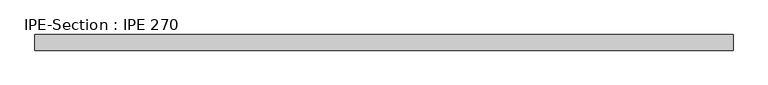
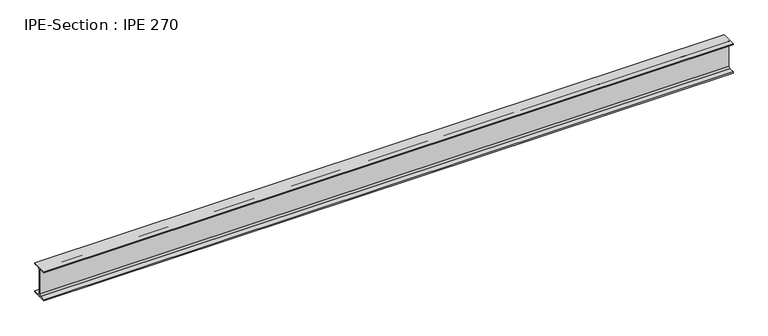
"""IFC4 building model written with IfcOpenShell, lengths in millimetres: beam geometry, IPE-Section : IPE 270."""

import ifcopenshell
import ifcopenshell.guid

model = None  # the IFC model being written
_history = None  # IfcOwnerHistory: only IFC2X3 demands one
_inside = {}  # id of a spatial element -> (the spatial element, [elements in it])
_under = {}  # id of a project, library or spatial element -> (it, [spatial elements below it])
_declared = {}  # id of a project -> (the project, [libraries it declares])
_typed = {}  # id of a type object -> (the type object, [elements of that type])
_made_of = {}  # id of a material, layer set ... -> (it, [elements and type objects made of it])


def new_model(schema):
    """Start an empty IFC model of exactly this schema.

    Asked for "IFC4X3", IfcOpenShell would pick the latest addendum, in which some entities
    have other attributes; the version numbers below select the first issue.
    IFC2X3 requires an IfcOwnerHistory on every rooted entity: one is made here for all.
    """
    global model, _history
    if schema == "IFC4X3":
        model = ifcopenshell.file(schema_version=(4, 3, 0, 0))
    else:
        model = ifcopenshell.file(schema=schema)
    _inside.clear()
    _under.clear()
    _declared.clear()
    _typed.clear()
    _made_of.clear()
    _history = None
    if model.schema == "IFC2X3":
        org = make("IfcOrganization", Name="unknown")
        user = make(
            "IfcPersonAndOrganization",
            ThePerson=make("IfcPerson", FamilyName="unknown"),
            TheOrganization=org,
        )
        app = make(
            "IfcApplication",
            ApplicationDeveloper=org,
            Version="unknown",
            ApplicationFullName="unknown",
            ApplicationIdentifier="unknown",
        )
        _history = make(
            "IfcOwnerHistory",
            OwningUser=user,
            OwningApplication=app,
            ChangeAction="ADDED",
            CreationDate=0,
        )
    return model


def make(cls, **values):
    """One entity of the class cls with the attributes given. An attribute that is None is left unset."""
    return model.create_entity(
        cls, **{name: value for name, value in values.items() if value is not None}
    )


def rooted(cls, **values):
    """An entity with a GlobalId (a new one), such as an element, a storey or a relation."""
    return make(cls, GlobalId=ifcopenshell.guid.new(), OwnerHistory=_history, **values)


def si_unit(unit_type, name, prefix=None):
    """IfcSIUnit, for example si_unit("LENGTHUNIT", "METRE", prefix="MILLI")."""
    return make("IfcSIUnit", UnitType=unit_type, Prefix=prefix, Name=name)


def assignment(units):
    """IfcUnitAssignment: the units of a project."""
    return None if units is None else make("IfcUnitAssignment", Units=units)


def point(xyz):
    """IfcCartesianPoint."""
    return None if xyz is None else make("IfcCartesianPoint", Coordinates=xyz)


def direction(xyz):
    """IfcDirection."""
    return None if xyz is None else make("IfcDirection", DirectionRatios=xyz)


def frame(location, z_axis=None, x_axis=None):
    """IfcAxis2Placement3D, a coordinate frame: its origin and axes. An axis left out is left unset."""
    return make(
        "IfcAxis2Placement3D",
        Location=point(location),
        Axis=direction(z_axis),
        RefDirection=direction(x_axis),
    )


def frame_2d(location, x_axis=None):
    """IfcAxis2Placement2D, a coordinate frame in the plane: its origin and x axis."""
    return make(
        "IfcAxis2Placement2D", Location=point(location), RefDirection=direction(x_axis)
    )


def origin():
    """The frame at (0, 0, 0) with its axes left unset."""
    return frame((0.0, 0.0, 0.0))


def place(relative_to, where):
    """IfcLocalPlacement: puts the frame where relative to a parent placement (None: the world)."""
    return make(
        "IfcLocalPlacement", PlacementRelTo=relative_to, RelativePlacement=where
    )


def context(
    kind, dimensions, precision=None, world=None, true_north=None, identifier=None
):
    """IfcGeometricRepresentationContext, for example the 3D "Model" context."""
    return make(
        "IfcGeometricRepresentationContext",
        ContextIdentifier=identifier,
        ContextType=kind,
        CoordinateSpaceDimension=dimensions,
        Precision=precision,
        WorldCoordinateSystem=world,
        TrueNorth=true_north,
    )


def project(units=None, contexts=None):
    """IfcProject with its units and contexts."""
    return rooted(
        "IfcProject",
        Name="project",
        RepresentationContexts=contexts,
        UnitsInContext=assignment(units),
    )


def spatial(cls, under=None, at=None, **own):
    """A site, building, storey or space (cls), placed at a placement, below another one or the project."""
    s = rooted(cls, ObjectPlacement=at, **own)
    if under is not None:
        _under.setdefault(under.id(), (under, []))[1].append(s)
    return s


def polyline(points):
    """IfcPolyline through the points."""
    return make("IfcPolyline", Points=[point(p) for p in points])


def circle_curve(where, radius):
    """IfcCircle in the frame where."""
    return make("IfcCircle", Position=where, Radius=radius)


def trimmed(basis, trim1, trim2, sense, master):
    """IfcTrimmedCurve: the piece of a basis curve between two trims."""
    return make(
        "IfcTrimmedCurve",
        BasisCurve=basis,
        Trim1=trim1,
        Trim2=trim2,
        SenseAgreement=sense,
        MasterRepresentation=master,
    )


def segment(curve, same_sense, transition):
    """IfcCompositeCurveSegment."""
    return make(
        "IfcCompositeCurveSegment",
        Transition=transition,
        SameSense=same_sense,
        ParentCurve=curve,
    )


def composite_curve(segments, self_intersect=None):
    """IfcCompositeCurve: segments joined end to end."""
    return make("IfcCompositeCurve", Segments=segments, SelfIntersect=self_intersect)


def outline(outer, holes=None, kind="AREA"):
    """IfcArbitraryClosedProfileDef: a profile drawn as a closed curve; with holes, ...WithVoids."""
    if holes is None:
        return make("IfcArbitraryClosedProfileDef", ProfileType=kind, OuterCurve=outer)
    return make(
        "IfcArbitraryProfileDefWithVoids",
        ProfileType=kind,
        OuterCurve=outer,
        InnerCurves=holes,
    )


def extrude(swept, where, along, depth):
    """IfcExtrudedAreaSolid: the profile swept, set in the frame where, extruded along a direction by depth."""
    return make(
        "IfcExtrudedAreaSolid",
        SweptArea=swept,
        Position=where,
        ExtrudedDirection=direction(along),
        Depth=depth,
    )


def shape(context_of_items, identifier, shape_type, items):
    """IfcShapeRepresentation: the items that make up one representation, for example the "Body"."""
    return make(
        "IfcShapeRepresentation",
        ContextOfItems=context_of_items,
        RepresentationIdentifier=identifier,
        RepresentationType=shape_type,
        Items=items,
    )


def source(mapping_origin, context_of_items, identifier, shape_type, items):
    """IfcRepresentationMap: a shape defined once, which mapped items show again and again."""
    return make(
        "IfcRepresentationMap",
        MappingOrigin=mapping_origin,
        MappedRepresentation=shape(context_of_items, identifier, shape_type, items),
    )


def transform(
    local_origin,
    x_axis=None,
    y_axis=None,
    z_axis=None,
    scale=None,
    scale2=None,
    scale3=None,
    uniform=True,
):
    """IfcCartesianTransformationOperator3D, or its non-uniform kind. x_axis, y_axis, z_axis: its Axis1, 2, 3."""
    if uniform:
        return make(
            "IfcCartesianTransformationOperator3D",
            Axis1=direction(x_axis),
            Axis2=direction(y_axis),
            LocalOrigin=point(local_origin),
            Scale=scale,
            Axis3=direction(z_axis),
        )
    return make(
        "IfcCartesianTransformationOperator3DnonUniform",
        Axis1=direction(x_axis),
        Axis2=direction(y_axis),
        LocalOrigin=point(local_origin),
        Scale=scale,
        Axis3=direction(z_axis),
        Scale2=scale2,
        Scale3=scale3,
    )


def mapped(mapping_source, mapping_target):
    """IfcMappedItem: shows the shape of a source again, moved by a transform."""
    return make(
        "IfcMappedItem", MappingSource=mapping_source, MappingTarget=mapping_target
    )


def made_of(thing, what):
    """Note that an element or type object is made of a material, layer set ...; save() writes the relation."""
    if what is not None:
        _made_of.setdefault(what.id(), (what, []))[1].append(thing)
    return thing


def element(
    cls,
    number,
    at=None,
    inside=None,
    cuts=None,
    type_object=None,
    material=None,
    context=None,
    identifier="Body",
    shape_type=None,
    held_by="IfcProductDefinitionShape",
    body=None,
    shapes=None,
    **own,
):
    """One element of the class cls, such as IfcWall. Its Tag is "e" and its number.

    at: its placement. inside: the storey or other place that contains it. cuts: it is an
    opening in that element (IfcRelVoidsElement). A single representation is given by context,
    identifier, shape_type and body (its items); several are given by shapes. held_by: the class
    of the entity that holds the representations. save() writes the other relations.
    """
    e = rooted(cls, Tag="e%d" % number, ObjectPlacement=at, **own)
    if body is not None:
        shapes = [shape(context, identifier, shape_type, body)]
    if shapes is not None:
        e.Representation = make(held_by, Representations=shapes)
    if inside is not None:
        _inside.setdefault(inside.id(), (inside, []))[1].append(e)
    if cuts is not None:
        rooted(
            "IfcRelVoidsElement", RelatingBuildingElement=cuts, RelatedOpeningElement=e
        )
    if type_object is not None:
        _typed.setdefault(type_object.id(), (type_object, []))[1].append(e)
    return made_of(e, material)


def aggregate(whole, parts):
    """IfcRelAggregates: a whole, such as a stair, and the parts it consists of."""
    return rooted("IfcRelAggregates", RelatingObject=whole, RelatedObjects=parts)


def save(model, path):
    """Write the relations noted so far, then the file.

    IfcRelAggregates (storeys below a building ...), IfcRelContainedInSpatialStructure (elements
    in a storey), IfcRelDefinesByType, IfcRelAssociatesMaterial and IfcRelDeclares: one each for
    every whole, place, type object, material and project.
    """
    for whole, parts in _under.values():
        aggregate(whole, parts)
    for where, things in _inside.values():
        rooted(
            "IfcRelContainedInSpatialStructure",
            RelatedElements=things,
            RelatingStructure=where,
        )
    for kind, things in _typed.values():
        rooted("IfcRelDefinesByType", RelatedObjects=things, RelatingType=kind)
    for what, things in _made_of.values():
        rooted("IfcRelAssociatesMaterial", RelatedObjects=things, RelatingMaterial=what)
    for by, libraries in _declared.values():
        rooted("IfcRelDeclares", RelatingContext=by, RelatedDefinitions=libraries)
    model.write(path)


def ipe_section_ipe_270_7d46bbba(model_context):
    return source(origin(), model_context, "Body", "SweptSolid", [
        extrude(outline(composite_curve([segment(polyline([(67.5, -124.8), (67.5, -135.0), (-67.5, -135.0), (-67.5, -124.8), (-18.3, -124.8)]), True, "CONTINUOUS"), segment(trimmed(circle_curve(frame_2d((-18.3, -109.8)), 15.0), [point((-18.3, -124.8))], [point((-3.3, -109.8))], True, "CARTESIAN"), True, "CONTINUOUS"), segment(polyline([(-3.3, -109.8), (-3.3, 109.8)]), True, "CONTINUOUS"), segment(trimmed(circle_curve(frame_2d((-18.3, 109.8)), 15.0), [point((-3.3, 109.8))], [point((-18.3, 124.8))], True, "CARTESIAN"), True, "CONTINUOUS"), segment(polyline([(-18.3, 124.8), (-67.5, 124.8), (-67.5, 135.0), (67.5, 135.0), (67.5, 124.8), (18.3, 124.8)]), True, "CONTINUOUS"), segment(trimmed(circle_curve(frame_2d((18.3, 109.8)), 15.0), [point((18.3, 124.8))], [point((3.3, 109.8))], True, "CARTESIAN"), True, "CONTINUOUS"), segment(polyline([(3.3, 109.8), (3.3, -109.8)]), True, "CONTINUOUS"), segment(trimmed(circle_curve(frame_2d((18.3, -109.8)), 15.0), [point((3.3, -109.8))], [point((18.3, -124.8))], True, "CARTESIAN"), True, "CONTINUOUS"), segment(polyline([(18.3, -124.8), (67.5, -124.8)]), True, "CONTINUOUS")], self_intersect=False)), frame((-3007.3, 0.0, 0.0), z_axis=(1.0, 0.0, 0.0), x_axis=(0.0, 1.0, 0.0)), (0.0, 0.0, 1.0), 6014.6),
    ])


if __name__ == "__main__":
    model = new_model("IFC4")
    model_context = context("Model", 3, world=origin())
    ifc_project = project(units=[si_unit("LENGTHUNIT", "METRE", prefix="MILLI")], contexts=[model_context])
    site = spatial("IfcSite", under=ifc_project)
    building = spatial("IfcBuilding", under=site)
    placement = place(None, origin())
    ipe_section_ipe_270_shape = ipe_section_ipe_270_7d46bbba(model_context)
    element("IfcBeam", 1, ObjectType="IPE-Section : IPE 270", at=placement, inside=building, context=model_context, shape_type="MappedRepresentation", body=[
        mapped(ipe_section_ipe_270_shape, transform((0.0, 0.0, 0.0), x_axis=(1.0, 0.0, 0.0), y_axis=(0.0, 1.0, 0.0), z_axis=(0.0, 0.0, 1.0))),
    ])
    save(model, "model.ifc")
